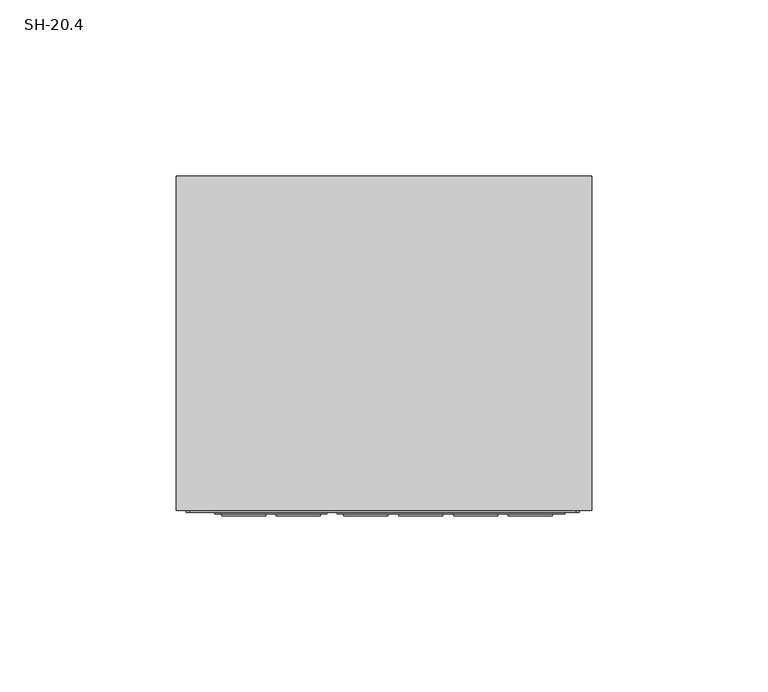
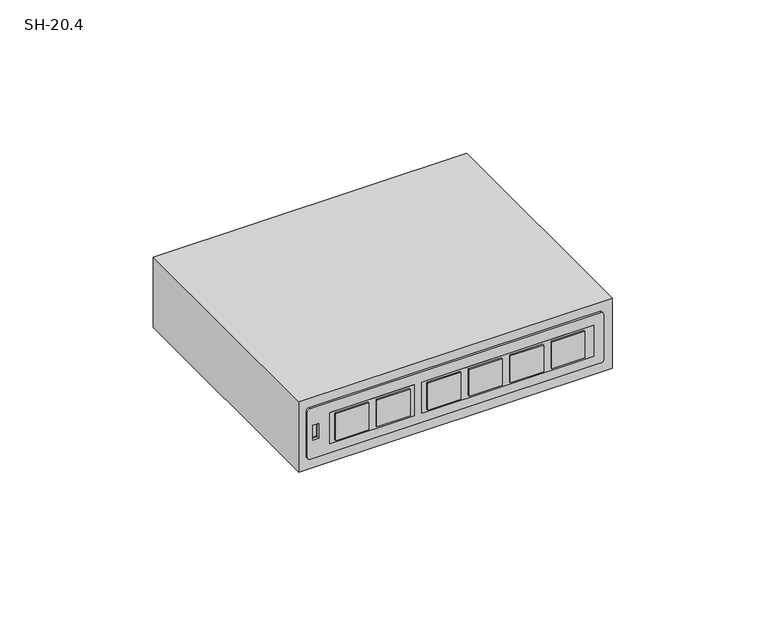
"""IFC4 building model written with IfcOpenShell, lengths in millimetres: proxy geometry, SH-20.4."""

from ifc_helpers import new_model, si_unit, point, frame, frame_2d, origin, place, context, project, spatial, polyline, circle_curve, trimmed, segment, composite_curve, outline, extrude, faceted_brep, source, transform, mapped, element, save


def sh_20_4_ba3abc7c(model_context):
    return source(origin(), model_context, "Body", "SolidModel", [
        extrude(outline(composite_curve([segment(polyline([(524.1059459, 54.3838973), (524.1059459, -55.1177589)]), True, "CONTINUOUS"), segment(trimmed(circle_curve(frame_2d((523.1059459, -55.1177589)), 1.0), [point((524.1059459, -55.1177589))], [point((523.1059459, -56.1177589))], False, "CARTESIAN"), True, "CONTINUOUS"), segment(polyline([(523.1059459, -56.1177589), (505.1059459, -56.1177589)]), True, "CONTINUOUS"), segment(trimmed(circle_curve(frame_2d((505.1059459, -55.1177589)), 1.0), [point((505.1059459, -56.1177589))], [point((504.1059459, -55.1177589))], False, "CARTESIAN"), True, "CONTINUOUS"), segment(polyline([(504.1059459, -55.1177589), (504.1059459, 54.3838973)]), True, "CONTINUOUS"), segment(trimmed(circle_curve(frame_2d((505.1059459, 54.3838973)), 1.0), [point((504.1059459, 54.3838973))], [point((505.1059459, 55.3838973))], False, "CARTESIAN"), True, "CONTINUOUS"), segment(polyline([(505.1059459, 55.3838973), (523.1059459, 55.3838973)]), True, "CONTINUOUS"), segment(trimmed(circle_curve(frame_2d((523.1059459, 54.3838973)), 1.0), [point((523.1059459, 55.3838973))], [point((524.1059459, 54.3838973))], False, "CARTESIAN"), True, "CONTINUOUS")], self_intersect=False), holes=[polyline([(517.1692803, -54.0518343), (517.1692803, -51.8820901), (511.3204046, -51.8820901), (511.3204046, -54.0518343), (517.1692803, -54.0518343)])]), frame((0.0, -95.5, 0.0), z_axis=(0.0, 1.0, 0.0), x_axis=(0.0, 0.0, 1.0)), (0.0, 0.0, 1.0), 1.0),
        extrude(outline(polyline([(47.8035502, -96.5), (35.3268579, -96.5), (35.3268579, -95.0), (47.8035502, -95.0), (47.8035502, -96.5)])), frame((0.0, 0.0, 508.9900685), z_axis=(0.0, 0.0, 1.0), x_axis=(1.0, 0.0, 0.0)), (0.0, 0.0, 1.0), 10.5975835),
        extrude(outline(polyline([(32.2174858, -96.5), (19.7407936, -96.5), (19.7407936, -95.0), (32.2174858, -95.0), (32.2174858, -96.5)])), frame((0.0, 0.0, 508.9900685), z_axis=(0.0, 0.0, 1.0), x_axis=(1.0, 0.0, 0.0)), (0.0, 0.0, 1.0), 10.5975835),
        extrude(outline(polyline([(16.6314215, -96.5), (4.1547292, -96.5), (4.1547292, -95.0), (16.6314215, -95.0), (16.6314215, -96.5)])), frame((0.0, 0.0, 508.9900685), z_axis=(0.0, 0.0, 1.0), x_axis=(1.0, 0.0, 0.0)), (0.0, 0.0, 1.0), 10.5975835),
        extrude(outline(polyline([(1.0453572, -96.5), (-11.4313351, -96.5), (-11.4313351, -95.0), (1.0453572, -95.0), (1.0453572, -96.5)])), frame((0.0, 0.0, 508.9900685), z_axis=(0.0, 0.0, 1.0), x_axis=(1.0, 0.0, 0.0)), (0.0, 0.0, 1.0), 10.5975835),
        extrude(outline(polyline([(-18.0499328, -96.5), (-30.5266251, -96.5), (-30.5266251, -95.0), (-18.0499328, -95.0), (-18.0499328, -96.5)])), frame((0.0, 0.0, 508.9900685), z_axis=(0.0, 0.0, 1.0), x_axis=(1.0, 0.0, 0.0)), (0.0, 0.0, 1.0), 10.5975835),
        extrude(outline(polyline([(-33.6359972, -96.5), (-46.1126894, -96.5), (-46.1126894, -95.0), (-33.6359972, -95.0), (-33.6359972, -96.5)])), frame((0.0, 0.0, 508.9900685), z_axis=(0.0, 0.0, 1.0), x_axis=(1.0, 0.0, 0.0)), (0.0, 0.0, 1.0), 10.5975835),
        extrude(outline(polyline([(51.3682103, -96.0), (-13.2901675, -96.0), (-13.2901675, -95.0), (51.3682103, -95.0), (51.3682103, -96.0)])), frame((0.0, 0.0, 508.0451607), z_axis=(0.0, 0.0, 1.0), x_axis=(1.0, 0.0, 0.0)), (0.0, 0.0, 1.0), 12.3125),
        extrude(outline(polyline([(-16.2193222, -96.0), (-47.9715218, -96.0), (-47.9715218, -95.0), (-16.2193222, -95.0), (-16.2193222, -96.0)])), frame((0.0, 0.0, 508.0451607), z_axis=(0.0, 0.0, 1.0), x_axis=(1.0, 0.0, 0.0)), (0.0, 0.0, 1.0), 12.3125),
        faceted_brep([(59.0, 0.0, 528.0), (-59.0, 0.0, 528.0), (-59.0, -95.0, 528.0), (59.0, -95.0, 528.0), (59.0, 0.0, 500.0), (59.0, -95.0, 500.0), (-59.0, -95.0, 500.0), (-59.0, 0.0, 500.0), (-54.0518343, -95.0, 517.1692803), (-51.8820901, -95.0, 517.1692803), (-51.8820901, -95.0, 511.3204046), (-54.0518343, -95.0, 511.3204046), (-51.8820901, -94.0, 517.1692803), (-54.0518343, -94.0, 517.1692803), (-54.0518343, -94.0, 511.3204046), (-51.8820901, -94.0, 511.3204046)], [[[0, 1, 2, 3]], [[4, 5, 6, 7]], [[1, 0, 4, 7]], [[2, 1, 7, 6]], [[3, 2, 6, 5], [8, 9, 10, 11]], [[0, 3, 5, 4]], [[12, 13, 14, 15]], [[13, 12, 9, 8]], [[14, 13, 8, 11]], [[15, 14, 11, 10]], [[12, 15, 10, 9]]]),
    ])


if __name__ == "__main__":
    model = new_model("IFC4")
    model_context = context("Model", 3, world=origin())
    ifc_project = project(units=[si_unit("LENGTHUNIT", "METRE", prefix="MILLI")], contexts=[model_context])
    site = spatial("IfcSite", under=ifc_project)
    building = spatial("IfcBuilding", under=site)
    placement = place(None, origin())
    sh_20_4_shape = sh_20_4_ba3abc7c(model_context)
    element("IfcBuildingElementProxy", 1, Name="SH-20.4", ObjectType="SH-20.4", at=placement, inside=building, context=model_context, shape_type="MappedRepresentation", body=[
        mapped(sh_20_4_shape, transform((0.0, 0.0, 0.0), x_axis=(1.0, 0.0, 0.0), y_axis=(0.0, 1.0, 0.0), z_axis=(0.0, 0.0, 1.0))),
    ])
    save(model, "model.ifc")
